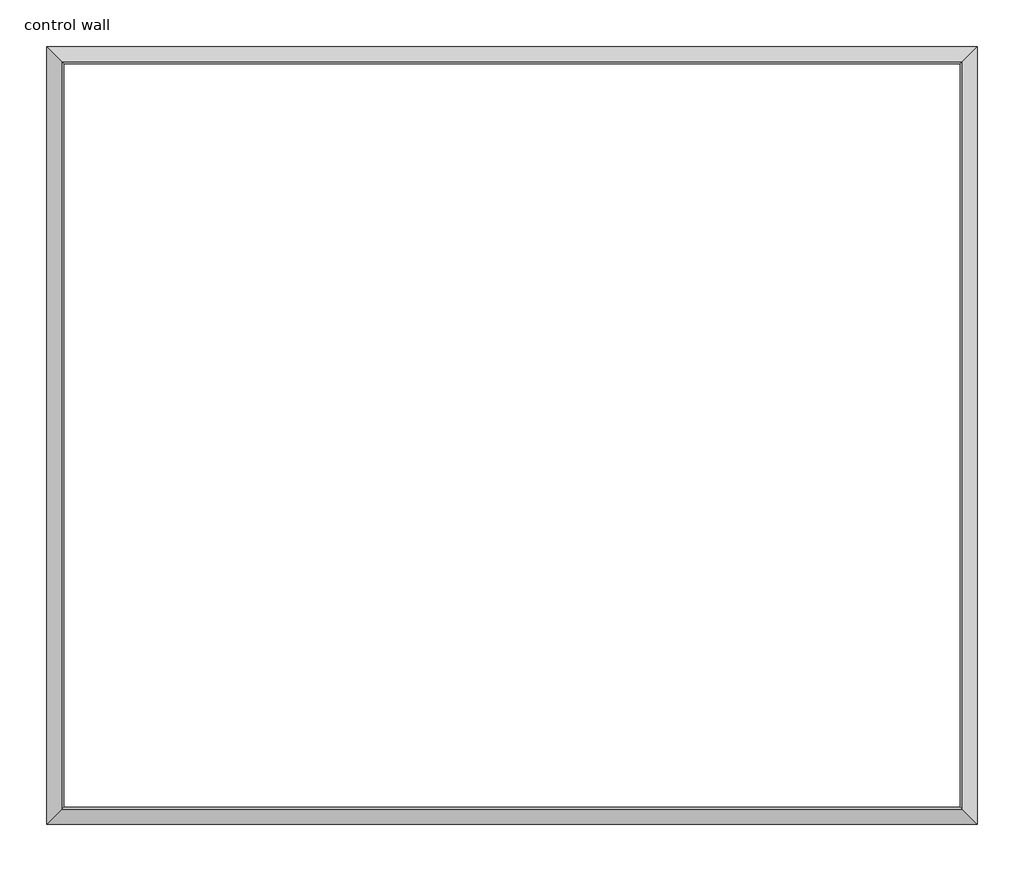
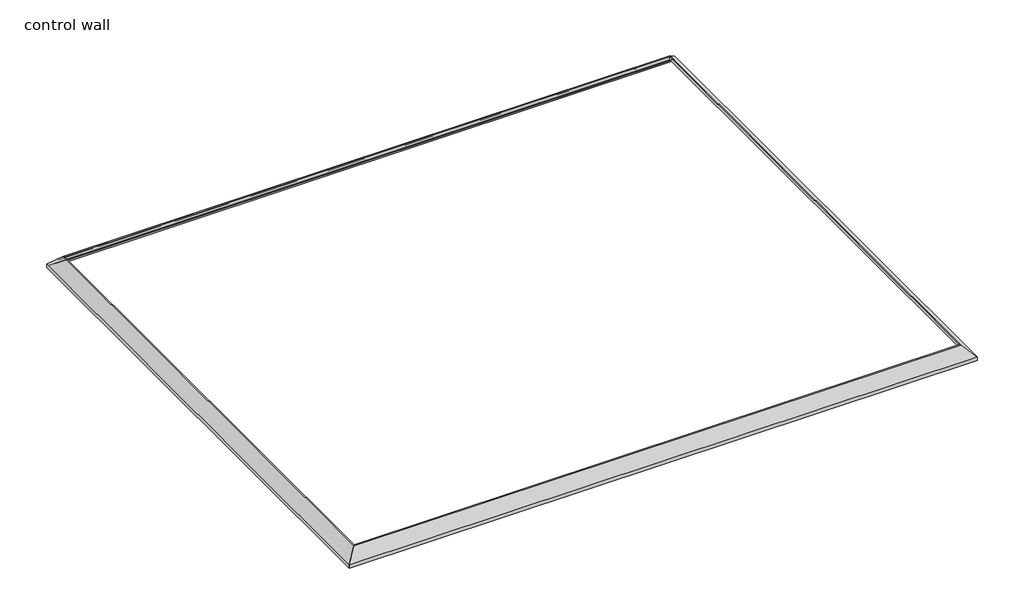
# One storey: 4 proxies.
"""IFC4 building model written with IfcOpenShell, lengths in millimetres."""

from ifc_helpers import new_model, si_unit, frame, origin, place, context, project, spatial, polyline, ellipse_curve, element, save
from ifc_brep_helpers import plane_surface, cylinder_surface, revolved_surface, advanced_brep

model = new_model("IFC4")

# Units and contexts
model_context = context("Model", 3, world=origin())
ifc_project = project(units=[si_unit("LENGTHUNIT", "METRE", prefix="MILLI")], contexts=[model_context])

# Site, building, storey
site = spatial("IfcSite", under=ifc_project)
building = spatial("IfcBuilding", under=site)
storey = spatial("IfcBuildingStorey", under=building, Name="control wall", Elevation=2133.6)

# Proxies
placement = place(None, origin())
element("IfcBuildingElementProxy", 1, Name="Wall Sweeps", at=placement, inside=storey, context=model_context, shape_type="AdvancedBrep", body=[
    advanced_brep(
    [(31190.7284839, -21164.0946785, 2678.1793892), (31190.7284839, -21164.0946785, 2654.3), (31181.7482278, -21173.0749346, 2654.3), (31181.7482278, -21173.0749346, 2663.2802561), (31168.2778436, -21186.5453188, 2676.7506403), (31168.2778436, -21186.5453188, 2683.1006403), (31147.7531637, -21207.0699987, 2703.6253202), (31127.2284839, -21227.5946785, 2724.15), (31117.6051751, -21237.2179873, 2724.15), (31117.6051751, -21237.2179873, 2743.2), (31125.7078731, -21229.1152893, 2743.2), (31190.7284839, -24516.8946785, 2678.1793892), (31125.7078731, -24451.8740677, 2743.2), (31117.6051751, -24443.7713697, 2743.2), (31117.6051751, -24443.7713697, 2724.15), (31127.2284839, -24453.3946785, 2724.15), (31147.7531637, -24473.9193584, 2703.6253202), (31168.2778436, -24494.4440382, 2683.1006403), (31168.2778436, -24494.4440382, 2676.7506403), (31181.7482278, -24507.9144224, 2663.2802561), (31181.7482278, -24507.9144224, 2654.3), (31190.7284839, -24516.8946785, 2654.3)],
    [
        (0, 1),
        (1, 2),
        (2, 3),
        (3, 4, ellipse_curve(frame((31168.2778436, -21186.5453188, 2663.2802561), z_axis=(0.7071067811865476, -0.7071067811865476, 0.0), x_axis=(-0.7071067811865476, -0.7071067811865474, 0.0)), 19.05, 13.4703842)),
        (4, 5),
        (5, 6, ellipse_curve(frame((31168.2778436, -21186.5453188, 2703.6253202), z_axis=(-0.7071067811865476, 0.7071067811865476, 0.0), x_axis=(0.7071067811865476, 0.7071067811865474, 0.0)), 29.0262806, 20.5246798)),
        (6, 7, ellipse_curve(frame((31127.2284839, -21227.5946785, 2703.6253202), z_axis=(0.7071067811865476, -0.7071067811865476, 0.0), x_axis=(-0.7071067811865476, -0.7071067811865474, 0.0)), 29.0262806, 20.5246798)),
        (7, 8),
        (8, 9),
        (9, 10),
        (10, 0),
        (11, 12),
        (12, 13),
        (13, 14),
        (14, 15),
        (15, 16, ellipse_curve(frame((31127.2284839, -24453.3946785, 2703.6253202), z_axis=(0.7071067811865476, 0.7071067811865476, 0.0), x_axis=(0.7071067811865476, -0.7071067811865474, 0.0)), 29.0262806, 20.5246798)),
        (16, 17, ellipse_curve(frame((31168.2778436, -24494.4440382, 2703.6253202), z_axis=(-0.7071067811865476, -0.7071067811865476, 0.0), x_axis=(-0.7071067811865476, 0.7071067811865474, 0.0)), 29.0262806, 20.5246798)),
        (17, 18),
        (18, 19, ellipse_curve(frame((31168.2778436, -24494.4440382, 2663.2802561), z_axis=(0.7071067811865476, 0.7071067811865476, 0.0), x_axis=(0.7071067811865476, -0.7071067811865474, 0.0)), 19.05, 13.4703842)),
        (19, 20),
        (20, 21),
        (21, 11),
        (0, 11),
        (21, 1),
        (20, 2),
        (19, 3),
        (18, 4),
        (17, 5),
        (16, 6),
        (15, 7),
        (14, 8),
        (13, 9),
        (12, 10),
    ],
    [
        plane_surface(frame((31190.7284839, -21164.0946785, 2959.1), z_axis=(-0.7071067811865476, 0.7071067811865476, 0.0), x_axis=(-0.7071067811865476, -0.7071067811865476, 0.0))),
        plane_surface(frame((31190.7284839, -24516.8946785, 2959.1), z_axis=(-0.7071067811865476, -0.7071067811865476, 0.0), x_axis=(-0.7071067811865476, 0.7071067811865476, 0.0))),
        plane_surface(frame((31190.7284839, -21164.0946785, 2678.1793892), z_axis=(1.0, 0.0, 0.0), x_axis=(0.0, -1.0, 0.0))),
        plane_surface(frame((31190.7284839, -21164.0946785, 2654.3), z_axis=(0.0, 0.0, -1.0), x_axis=(0.0, -1.0, 0.0))),
        plane_surface(frame((31181.7482278, -21173.0749346, 2654.3), z_axis=(-1.0, 0.0, 0.0), x_axis=(0.0, -1.0, 0.0))),
        revolved_surface(polyline([(31154.8074594, -24507.9144224, 2663.2802561), (31154.8074594, -21173.0749346, 2663.2802561)]), (31168.2778436, -21164.0946785, 2663.2802561), (0.0, -1.0, 0.0)),
        plane_surface(frame((31168.2778436, -21186.5453188, 2676.7506403), z_axis=(-1.0, 0.0, 0.0), x_axis=(0.0, -1.0, 0.0))),
        cylinder_surface(frame((31168.2778436, -21164.0946785, 2703.6253202), z_axis=(0.0, 1.0, 0.0), x_axis=(-1.0, 0.0, 0.0)), 20.5246798),
        revolved_surface(polyline([(31106.703804099998, -24473.9193584, 2703.6253202), (31106.703804099998, -21207.06999865512, 2703.6253202)]), (31127.2284839, -21164.0946785, 2703.6253202), (0.0, -1.0, 0.0)),
        plane_surface(frame((31127.2284839, -21227.5946785, 2724.15), z_axis=(0.0, 0.0, -1.0), x_axis=(0.0, -1.0, 0.0))),
        plane_surface(frame((31117.6051751, -21237.2179873, 2724.15), z_axis=(-1.0, 0.0, 0.0), x_axis=(0.0, -1.0, 0.0))),
        plane_surface(frame((31117.6051751, -21237.2179873, 2743.2), z_axis=(0.0, 0.0, 1.0), x_axis=(0.0, -1.0, 0.0))),
        plane_surface(frame((31125.7078731, -21229.1152893, 2743.2), z_axis=(0.707106781186547, 0.0, 0.707106781186548), x_axis=(0.0, -1.0, 0.0))),
    ],
    [
        (0, [[1, 2, 3, 4, 5, 6, 7, 8, 9, 10, 11]]),
        (1, [[12, 13, 14, 15, 16, 17, 18, 19, 20, 21, 22]]),
        (2, [[-1, 23, -22, 24]]),
        (3, [[-2, -24, -21, 25]]),
        (4, [[-3, -25, -20, 26]]),
        (5, [[-4, -26, -19, 27]]),
        (6, [[-5, -27, -18, 28]]),
        (7, [[-6, -28, -17, 29]]),
        (8, [[-7, -29, -16, 30]]),
        (9, [[-8, -30, -15, 31]]),
        (10, [[-9, -31, -14, 32]]),
        (11, [[-10, -32, -13, 33]]),
        (12, [[-11, -33, -12, -23]]),
    ],
),
])
element("IfcBuildingElementProxy", 2, Name="Wall Sweeps", at=placement, inside=storey, context=model_context, shape_type="AdvancedBrep", body=[
    advanced_brep(
    [(27177.5284839, -21164.0946785, 2678.1793892), (27242.5490947, -21229.1152893, 2743.2), (27250.6517927, -21237.2179873, 2743.2), (27250.6517927, -21237.2179873, 2724.15), (27241.0284839, -21227.5946785, 2724.15), (27220.503804, -21207.0699987, 2703.6253202), (27199.9791242, -21186.5453188, 2683.1006403), (27199.9791242, -21186.5453188, 2676.7506403), (27186.50874, -21173.0749346, 2663.2802561), (27186.50874, -21173.0749346, 2654.3), (27177.5284839, -21164.0946785, 2654.3), (27177.5284839, -24516.8946785, 2678.1793892), (27177.5284839, -24516.8946785, 2654.3), (27186.50874, -24507.9144224, 2654.3), (27186.50874, -24507.9144224, 2663.2802561), (27199.9791242, -24494.4440382, 2676.7506403), (27199.9791242, -24494.4440382, 2683.1006403), (27220.503804, -24473.9193584, 2703.6253202), (27241.0284839, -24453.3946785, 2724.15), (27250.6517927, -24443.7713697, 2724.15), (27250.6517927, -24443.7713697, 2743.2), (27242.5490947, -24451.8740677, 2743.2)],
    [
        (0, 1),
        (1, 2),
        (2, 3),
        (3, 4),
        (4, 5, ellipse_curve(frame((27241.0284839, -21227.5946785, 2703.6253202), z_axis=(-0.7071067811865476, -0.7071067811865476, 0.0), x_axis=(0.7071067811865476, -0.7071067811865474, 0.0)), 29.0262806, 20.5246798)),
        (5, 6, ellipse_curve(frame((27199.9791242, -21186.5453188, 2703.6253202), z_axis=(0.7071067811865476, 0.7071067811865476, 0.0), x_axis=(-0.7071067811865476, 0.7071067811865474, 0.0)), 29.0262806, 20.5246798)),
        (6, 7),
        (7, 8, ellipse_curve(frame((27199.9791242, -21186.5453188, 2663.2802561), z_axis=(-0.7071067811865476, -0.7071067811865476, 0.0), x_axis=(0.7071067811865476, -0.7071067811865474, 0.0)), 19.05, 13.4703842)),
        (8, 9),
        (9, 10),
        (10, 0),
        (11, 12),
        (12, 13),
        (13, 14),
        (14, 15, ellipse_curve(frame((27199.9791242, -24494.4440382, 2663.2802561), z_axis=(-0.7071067811865476, 0.7071067811865476, 0.0), x_axis=(-0.7071067811865476, -0.7071067811865474, 0.0)), 19.05, 13.4703842)),
        (15, 16),
        (16, 17, ellipse_curve(frame((27199.9791242, -24494.4440382, 2703.6253202), z_axis=(0.7071067811865476, -0.7071067811865476, 0.0), x_axis=(0.7071067811865476, 0.7071067811865474, 0.0)), 29.0262806, 20.5246798)),
        (17, 18, ellipse_curve(frame((27241.0284839, -24453.3946785, 2703.6253202), z_axis=(-0.7071067811865476, 0.7071067811865476, 0.0), x_axis=(-0.7071067811865476, -0.7071067811865474, 0.0)), 29.0262806, 20.5246798)),
        (18, 19),
        (19, 20),
        (20, 21),
        (21, 11),
        (10, 12),
        (11, 0),
        (9, 13),
        (8, 14),
        (7, 15),
        (6, 16),
        (5, 17),
        (4, 18),
        (3, 19),
        (2, 20),
        (1, 21),
    ],
    [
        plane_surface(frame((27177.5284839, -21164.0946785, 2349.5), z_axis=(0.7071067811865476, 0.7071067811865476, 0.0), x_axis=(0.7071067811865476, -0.7071067811865476, 0.0))),
        plane_surface(frame((27177.5284839, -24516.8946785, 2349.5), z_axis=(0.7071067811865476, -0.7071067811865476, 0.0), x_axis=(0.7071067811865476, 0.7071067811865476, 0.0))),
        plane_surface(frame((27177.5284839, -21164.0946785, 2654.3), z_axis=(-1.0, 0.0, 0.0), x_axis=(0.0, -1.0, 0.0))),
        plane_surface(frame((27186.50874, -21173.0749346, 2654.3), z_axis=(0.0, 0.0, -1.0), x_axis=(0.0, -1.0, 0.0))),
        plane_surface(frame((27186.50874, -21173.0749346, 2663.2802561), z_axis=(1.0, 0.0, 0.0), x_axis=(0.0, -1.0, 0.0))),
        revolved_surface(polyline([(27213.4495084, -24507.9144224, 2663.2802561), (27213.4495084, -21173.0749346, 2663.2802561)]), (27199.9791242, -21164.0946785, 2663.2802561), (0.0, -1.0, 0.0)),
        plane_surface(frame((27199.9791242, -21186.5453188, 2683.1006403), z_axis=(1.0, 0.0, 0.0), x_axis=(0.0, -1.0, 0.0))),
        cylinder_surface(frame((27199.9791242, -21164.0946785, 2703.6253202), z_axis=(0.0, 1.0, 0.0), x_axis=(1.0, 0.0, 0.0)), 20.5246798),
        revolved_surface(polyline([(27261.553163700002, -24473.9193584, 2703.6253202), (27261.553163700002, -21207.06999865512, 2703.6253202)]), (27241.0284839, -21164.0946785, 2703.6253202), (0.0, -1.0, 0.0)),
        plane_surface(frame((27250.6517927, -21237.2179873, 2724.15), z_axis=(0.0, 0.0, -1.0), x_axis=(0.0, -1.0, 0.0))),
        plane_surface(frame((27250.6517927, -21237.2179873, 2743.2), z_axis=(1.0, 0.0, 0.0), x_axis=(0.0, -1.0, 0.0))),
        plane_surface(frame((27242.5490947, -21229.1152893, 2743.2), z_axis=(0.0, 0.0, 1.0), x_axis=(0.0, -1.0, 0.0))),
        plane_surface(frame((27177.5284839, -21164.0946785, 2678.1793892), z_axis=(-0.707106781186547, 0.0, 0.707106781186548), x_axis=(0.0, -1.0, 0.0))),
    ],
    [
        (0, [[1, 2, 3, 4, 5, 6, 7, 8, 9, 10, 11]]),
        (1, [[12, 13, 14, 15, 16, 17, 18, 19, 20, 21, 22]]),
        (2, [[-11, 23, -12, 24]]),
        (3, [[-10, 25, -13, -23]]),
        (4, [[-9, 26, -14, -25]]),
        (5, [[-8, 27, -15, -26]]),
        (6, [[-7, 28, -16, -27]]),
        (7, [[-6, 29, -17, -28]]),
        (8, [[-5, 30, -18, -29]]),
        (9, [[-4, 31, -19, -30]]),
        (10, [[-3, 32, -20, -31]]),
        (11, [[-2, 33, -21, -32]]),
        (12, [[-1, -24, -22, -33]]),
    ],
),
])
element("IfcBuildingElementProxy", 3, Name="Wall Sweeps", at=placement, inside=storey, context=model_context, shape_type="AdvancedBrep", body=[
    advanced_brep(
    [(27177.5284839, -21164.0946785, 2678.1793892), (27177.5284839, -21164.0946785, 2654.3), (27186.50874, -21173.0749346, 2654.3), (27186.50874, -21173.0749346, 2663.2802561), (27199.9791242, -21186.5453188, 2676.7506403), (27199.9791242, -21186.5453188, 2683.1006403), (27220.503804, -21207.0699987, 2703.6253202), (27241.0284839, -21227.5946785, 2724.15), (27250.6517927, -21237.2179873, 2724.15), (27250.6517927, -21237.2179873, 2743.2), (27242.5490947, -21229.1152893, 2743.2), (31190.7284839, -21164.0946785, 2678.1793892), (31125.7078731, -21229.1152893, 2743.2), (31117.6051751, -21237.2179873, 2743.2), (31117.6051751, -21237.2179873, 2724.15), (31127.2284839, -21227.5946785, 2724.15), (31147.7531637, -21207.0699987, 2703.6253202), (31168.2778436, -21186.5453188, 2683.1006403), (31168.2778436, -21186.5453188, 2676.7506403), (31181.7482278, -21173.0749346, 2663.2802561), (31181.7482278, -21173.0749346, 2654.3), (31190.7284839, -21164.0946785, 2654.3)],
    [
        (0, 1),
        (1, 2),
        (2, 3),
        (3, 4, ellipse_curve(frame((27199.9791242, -21186.5453188, 2663.2802561), z_axis=(0.7071067811865476, 0.7071067811865476, 0.0), x_axis=(0.7071067811865474, -0.7071067811865476, 0.0)), 19.05, 13.4703842)),
        (4, 5),
        (5, 6, ellipse_curve(frame((27199.9791242, -21186.5453188, 2703.6253202), z_axis=(-0.7071067811865476, -0.7071067811865476, 0.0), x_axis=(-0.7071067811865474, 0.7071067811865476, 0.0)), 29.0262806, 20.5246798)),
        (6, 7, ellipse_curve(frame((27241.0284839, -21227.5946785, 2703.6253202), z_axis=(0.7071067811865476, 0.7071067811865476, 0.0), x_axis=(0.7071067811865474, -0.7071067811865476, 0.0)), 29.0262806, 20.5246798)),
        (7, 8),
        (8, 9),
        (9, 10),
        (10, 0),
        (11, 12),
        (12, 13),
        (13, 14),
        (14, 15),
        (15, 16, ellipse_curve(frame((31127.2284839, -21227.5946785, 2703.6253202), z_axis=(-0.7071067811865476, 0.7071067811865476, 0.0), x_axis=(0.7071067811865474, 0.7071067811865476, 0.0)), 29.0262806, 20.5246798)),
        (16, 17, ellipse_curve(frame((31168.2778436, -21186.5453188, 2703.6253202), z_axis=(0.7071067811865476, -0.7071067811865476, 0.0), x_axis=(-0.7071067811865474, -0.7071067811865476, 0.0)), 29.0262806, 20.5246798)),
        (17, 18),
        (18, 19, ellipse_curve(frame((31168.2778436, -21186.5453188, 2663.2802561), z_axis=(-0.7071067811865476, 0.7071067811865476, 0.0), x_axis=(0.7071067811865474, 0.7071067811865476, 0.0)), 19.05, 13.4703842)),
        (19, 20),
        (20, 21),
        (21, 11),
        (0, 11),
        (21, 1),
        (20, 2),
        (19, 3),
        (18, 4),
        (17, 5),
        (16, 6),
        (15, 7),
        (14, 8),
        (13, 9),
        (12, 10),
    ],
    [
        plane_surface(frame((27177.5284839, -21164.0946785, 2959.1), z_axis=(-0.7071067811865476, -0.7071067811865476, 0.0), x_axis=(0.7071067811865476, -0.7071067811865476, 0.0))),
        plane_surface(frame((31190.7284839, -21164.0946785, 2959.1), z_axis=(0.7071067811865476, -0.7071067811865476, 0.0), x_axis=(-0.7071067811865476, -0.7071067811865476, 0.0))),
        plane_surface(frame((27177.5284839, -21164.0946785, 2678.1793892), z_axis=(0.0, 1.0, 0.0), x_axis=(1.0, 0.0, 0.0))),
        plane_surface(frame((27177.5284839, -21164.0946785, 2654.3), z_axis=(0.0, 0.0, -1.0), x_axis=(1.0, 0.0, 0.0))),
        plane_surface(frame((27186.50874, -21173.0749346, 2654.3), z_axis=(0.0, -1.0, 0.0), x_axis=(1.0, 0.0, 0.0))),
        revolved_surface(polyline([(31181.7482278, -21200.015703, 2663.2802561), (27186.50874, -21200.015703, 2663.2802561)]), (27177.5284839, -21186.5453188, 2663.2802561), (1.0, 0.0, 0.0)),
        plane_surface(frame((27199.9791242, -21186.5453188, 2676.7506403), z_axis=(0.0, -1.0, 0.0), x_axis=(1.0, 0.0, 0.0))),
        cylinder_surface(frame((27177.5284839, -21186.5453188, 2703.6253202), z_axis=(-1.0, 0.0, 0.0), x_axis=(0.0, -1.0, 0.0)), 20.5246798),
        revolved_surface(polyline([(31147.75316374488, -21248.119358300002, 2703.6253202), (27220.503804, -21248.119358300002, 2703.6253202)]), (27177.5284839, -21227.5946785, 2703.6253202), (1.0, 0.0, 0.0)),
        plane_surface(frame((27241.0284839, -21227.5946785, 2724.15), z_axis=(0.0, 0.0, -1.0), x_axis=(1.0, 0.0, 0.0))),
        plane_surface(frame((27250.6517927, -21237.2179873, 2724.15), z_axis=(0.0, -1.0, 0.0), x_axis=(1.0, 0.0, 0.0))),
        plane_surface(frame((27250.6517927, -21237.2179873, 2743.2), z_axis=(0.0, 0.0, 1.0), x_axis=(1.0, 0.0, 0.0))),
        plane_surface(frame((27242.5490947, -21229.1152893, 2743.2), z_axis=(0.0, 0.707106781186547, 0.707106781186548), x_axis=(1.0, 0.0, 0.0))),
    ],
    [
        (0, [[1, 2, 3, 4, 5, 6, 7, 8, 9, 10, 11]]),
        (1, [[12, 13, 14, 15, 16, 17, 18, 19, 20, 21, 22]]),
        (2, [[-1, 23, -22, 24]]),
        (3, [[-2, -24, -21, 25]]),
        (4, [[-3, -25, -20, 26]]),
        (5, [[-4, -26, -19, 27]]),
        (6, [[-5, -27, -18, 28]]),
        (7, [[-6, -28, -17, 29]]),
        (8, [[-7, -29, -16, 30]]),
        (9, [[-8, -30, -15, 31]]),
        (10, [[-9, -31, -14, 32]]),
        (11, [[-10, -32, -13, 33]]),
        (12, [[-11, -33, -12, -23]]),
    ],
),
])
element("IfcBuildingElementProxy", 4, Name="Wall Sweeps", at=placement, inside=storey, context=model_context, shape_type="AdvancedBrep", body=[
    advanced_brep(
    [(27177.5284839, -24516.8946785, 2678.1793892), (27242.5490947, -24451.8740677, 2743.2), (27250.6517927, -24443.7713697, 2743.2), (27250.6517927, -24443.7713697, 2724.15), (27241.0284839, -24453.3946785, 2724.15), (27220.503804, -24473.9193584, 2703.6253202), (27199.9791242, -24494.4440382, 2683.1006403), (27199.9791242, -24494.4440382, 2676.7506403), (27186.50874, -24507.9144224, 2663.2802561), (27186.50874, -24507.9144224, 2654.3), (27177.5284839, -24516.8946785, 2654.3), (31190.7284839, -24516.8946785, 2678.1793892), (31190.7284839, -24516.8946785, 2654.3), (31181.7482278, -24507.9144224, 2654.3), (31181.7482278, -24507.9144224, 2663.2802561), (31168.2778436, -24494.4440382, 2676.7506403), (31168.2778436, -24494.4440382, 2683.1006403), (31147.7531637, -24473.9193584, 2703.6253202), (31127.2284839, -24453.3946785, 2724.15), (31117.6051751, -24443.7713697, 2724.15), (31117.6051751, -24443.7713697, 2743.2), (31125.7078731, -24451.8740677, 2743.2)],
    [
        (0, 1),
        (1, 2),
        (2, 3),
        (3, 4),
        (4, 5, ellipse_curve(frame((27241.0284839, -24453.3946785, 2703.6253202), z_axis=(0.7071067811865476, -0.7071067811865476, 0.0), x_axis=(0.7071067811865475, 0.7071067811865475, 0.0)), 29.0262806, 20.5246798)),
        (5, 6, ellipse_curve(frame((27199.9791242, -24494.4440382, 2703.6253202), z_axis=(-0.7071067811865476, 0.7071067811865476, 0.0), x_axis=(-0.7071067811865475, -0.7071067811865475, 0.0)), 29.0262806, 20.5246798)),
        (6, 7),
        (7, 8, ellipse_curve(frame((27199.9791242, -24494.4440382, 2663.2802561), z_axis=(0.7071067811865476, -0.7071067811865476, 0.0), x_axis=(0.7071067811865475, 0.7071067811865475, 0.0)), 19.05, 13.4703842)),
        (8, 9),
        (9, 10),
        (10, 0),
        (11, 12),
        (12, 13),
        (13, 14),
        (14, 15, ellipse_curve(frame((31168.2778436, -24494.4440382, 2663.2802561), z_axis=(-0.7071067811865476, -0.7071067811865476, 0.0), x_axis=(0.7071067811865474, -0.7071067811865477, 0.0)), 19.05, 13.4703842)),
        (15, 16),
        (16, 17, ellipse_curve(frame((31168.2778436, -24494.4440382, 2703.6253202), z_axis=(0.7071067811865476, 0.7071067811865476, 0.0), x_axis=(-0.7071067811865474, 0.7071067811865477, 0.0)), 29.0262806, 20.5246798)),
        (17, 18, ellipse_curve(frame((31127.2284839, -24453.3946785, 2703.6253202), z_axis=(-0.7071067811865476, -0.7071067811865476, 0.0), x_axis=(0.7071067811865474, -0.7071067811865477, 0.0)), 29.0262806, 20.5246798)),
        (18, 19),
        (19, 20),
        (20, 21),
        (21, 11),
        (10, 12),
        (11, 0),
        (9, 13),
        (8, 14),
        (7, 15),
        (6, 16),
        (5, 17),
        (4, 18),
        (3, 19),
        (2, 20),
        (1, 21),
    ],
    [
        plane_surface(frame((27177.5284839, -24516.8946785, 2349.5), z_axis=(-0.7071067811865476, 0.7071067811865476, 0.0), x_axis=(0.7071067811865476, 0.7071067811865476, 0.0))),
        plane_surface(frame((31190.7284839, -24516.8946785, 2349.5), z_axis=(0.7071067811865476, 0.7071067811865476, 0.0), x_axis=(-0.7071067811865476, 0.7071067811865476, 0.0))),
        plane_surface(frame((27177.5284839, -24516.8946785, 2654.3), z_axis=(0.0, -1.0, 0.0), x_axis=(1.0, 0.0, 0.0))),
        plane_surface(frame((27186.50874, -24507.9144224, 2654.3), z_axis=(0.0, 0.0, -1.0), x_axis=(1.0, 0.0, 0.0))),
        plane_surface(frame((27186.50874, -24507.9144224, 2663.2802561), z_axis=(0.0, 1.0, 0.0), x_axis=(1.0, 0.0, 0.0))),
        revolved_surface(polyline([(31181.7482278, -24480.973653999998, 2663.2802561), (27186.50874, -24480.973653999998, 2663.2802561)]), (27177.5284839, -24494.4440382, 2663.2802561), (1.0, 0.0, 0.0)),
        plane_surface(frame((27199.9791242, -24494.4440382, 2683.1006403), z_axis=(0.0, 1.0, 0.0), x_axis=(1.0, 0.0, 0.0))),
        cylinder_surface(frame((27177.5284839, -24494.4440382, 2703.6253202), z_axis=(-1.0, 0.0, 0.0), x_axis=(0.0, 1.0, 0.0)), 20.5246798),
        revolved_surface(polyline([(31147.75316374488, -24432.8699987, 2703.6253202), (27220.503804, -24432.8699987, 2703.6253202)]), (27177.5284839, -24453.3946785, 2703.6253202), (1.0, 0.0, 0.0)),
        plane_surface(frame((27250.6517927, -24443.7713697, 2724.15), z_axis=(0.0, 0.0, -1.0), x_axis=(1.0, 0.0, 0.0))),
        plane_surface(frame((27250.6517927, -24443.7713697, 2743.2), z_axis=(0.0, 1.0, 0.0), x_axis=(1.0, 0.0, 0.0))),
        plane_surface(frame((27242.5490947, -24451.8740677, 2743.2), z_axis=(0.0, 0.0, 1.0), x_axis=(1.0, 0.0, 0.0))),
        plane_surface(frame((27177.5284839, -24516.8946785, 2678.1793892), z_axis=(0.0, -0.707106781186547, 0.707106781186548), x_axis=(1.0, 0.0, 0.0))),
    ],
    [
        (0, [[1, 2, 3, 4, 5, 6, 7, 8, 9, 10, 11]]),
        (1, [[12, 13, 14, 15, 16, 17, 18, 19, 20, 21, 22]]),
        (2, [[-11, 23, -12, 24]]),
        (3, [[-10, 25, -13, -23]]),
        (4, [[-9, 26, -14, -25]]),
        (5, [[-8, 27, -15, -26]]),
        (6, [[-7, 28, -16, -27]]),
        (7, [[-6, 29, -17, -28]]),
        (8, [[-5, 30, -18, -29]]),
        (9, [[-4, 31, -19, -30]]),
        (10, [[-3, 32, -20, -31]]),
        (11, [[-2, 33, -21, -32]]),
        (12, [[-1, -24, -22, -33]]),
    ],
),
])

save(model, "model.ifc")
